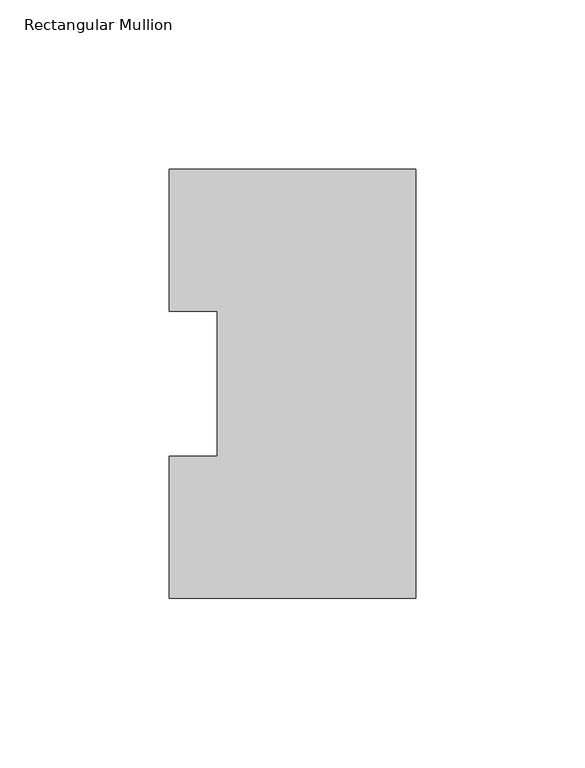
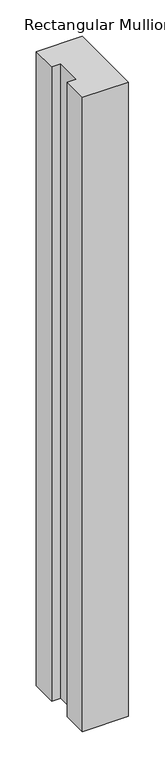
"""IFC4 building model written with IfcOpenShell, lengths in millimetres: member geometry, Rectangular Mullion."""

from ifc_helpers import new_model, si_unit, frame, origin, place, context, project, spatial, polyline, outline, extrude, source, transform, mapped, element, save


def rectangular_mullion_d7e52af4(model_context):
    return source(origin(), model_context, "Body", "SweptSolid", [
        extrude(outline(polyline([(0.0, 127.00635), (0.0, 0.00635), (-73.025, 0.00635), (-73.025, 42.08145), (-58.7375, 42.08145), (-58.7375, 84.93125), (-73.025, 84.93125), (-73.025, 127.00635), (0.0, 127.00635)])), frame((0.0, 0.0, -1066.80635), z_axis=(0.0, 0.0, 1.0), x_axis=(1.0, 0.0, 0.0)), (0.0, 0.0, 1.0), 1066.80635),
    ])


if __name__ == "__main__":
    model = new_model("IFC4")
    model_context = context("Model", 3, world=origin())
    ifc_project = project(units=[si_unit("LENGTHUNIT", "METRE", prefix="MILLI")], contexts=[model_context])
    site = spatial("IfcSite", under=ifc_project)
    building = spatial("IfcBuilding", under=site)
    placement = place(None, origin())
    rectangular_mullion_shape = rectangular_mullion_d7e52af4(model_context)
    element("IfcMember", 1, ObjectType="Rectangular Mullion", at=placement, inside=building, context=model_context, shape_type="MappedRepresentation", body=[
        mapped(rectangular_mullion_shape, transform((0.0, 0.0, 0.0), x_axis=(1.0, 0.0, 0.0), y_axis=(0.0, 1.0, 0.0), z_axis=(0.0, 0.0, 1.0))),
    ])
    save(model, "model.ifc")
